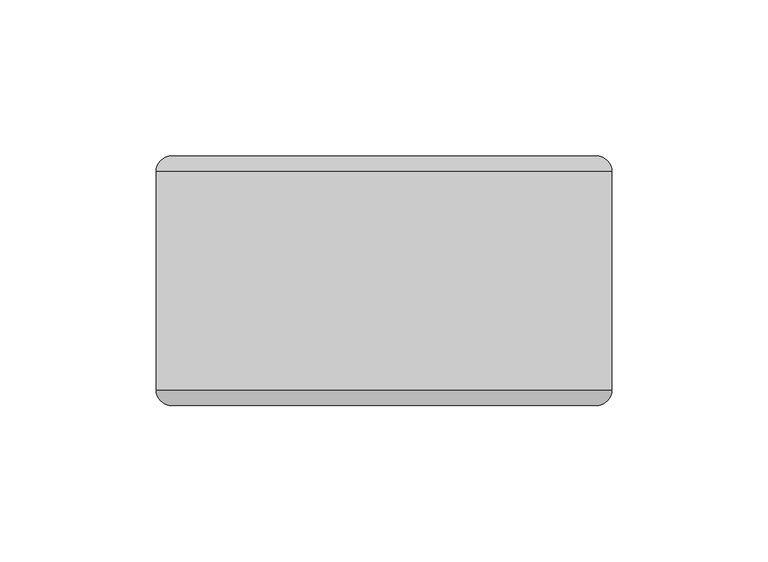
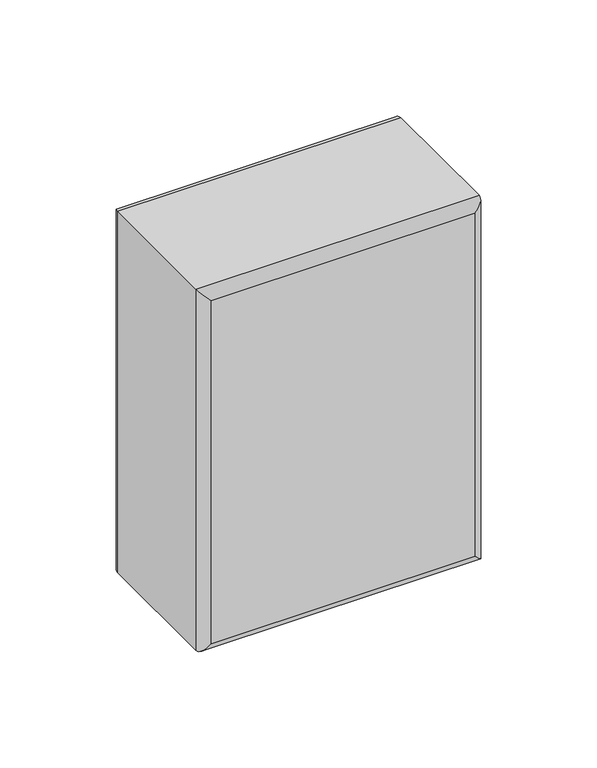
"""IFC4 building model written with IfcOpenShell, lengths in millimetres: plate geometry."""

from ifc_helpers import new_model, si_unit, frame, origin, place, context, project, spatial, ellipse_curve, source, transform, mapped, element, save
from ifc_brep_helpers import plane_surface, cylinder_surface, advanced_brep


def plate_ff91d236(model_context):
    return source(origin(), model_context, "Body", "AdvancedBrep", [
        advanced_brep(
        [(-73.0250002, -35.0, 196.9869895), (72.9749998, -35.0, 196.9869895), (72.9749998, 35.0, 196.9869895), (-73.0250002, 35.0, 196.9869895), (72.9749998, -35.0, 0.0), (-73.0250002, -35.0, 0.0), (-73.0250002, 35.0, 0.0), (72.9749998, 35.0, 0.0), (-68.0250002, -40.0, 5.0), (67.9749998, -40.0, 5.0), (67.9749998, -40.0, 191.9869895), (-68.0250002, -40.0, 191.9869895), (67.9749998, 40.0, 5.0), (-68.0250002, 40.0, 5.0), (-68.0250002, 40.0, 191.9869895), (67.9749998, 40.0, 191.9869895)],
        [
            (0, 1),
            (1, 2),
            (2, 3),
            (3, 0),
            (4, 5),
            (5, 6),
            (6, 7),
            (7, 4),
            (8, 9),
            (9, 10),
            (10, 11),
            (11, 8),
            (1, 4),
            (7, 2),
            (12, 13),
            (13, 14),
            (14, 15),
            (15, 12),
            (5, 0),
            (3, 6),
            (4, 9, ellipse_curve(frame((67.9749998, -35.0, 5.0), z_axis=(-0.7071067811865475, 0.0, -0.7071067811865475), x_axis=(0.7071067811865476, 0.0, -0.7071067811865474)), 7.0710678, 5.0)),
            (8, 5, ellipse_curve(frame((-68.0250002, -35.0, 5.0), z_axis=(0.7071067811865475, 0.0, -0.7071067811865475), x_axis=(0.7071067811865476, 0.0, 0.7071067811865474)), 7.0710678, 5.0)),
            (1, 10, ellipse_curve(frame((67.9749998, -35.0, 191.9869895), z_axis=(0.7071067811865475, 0.0, -0.7071067811865475), x_axis=(0.7071067811865474, 0.0, 0.7071067811865476)), 7.0710678, 5.0)),
            (0, 11, ellipse_curve(frame((-68.0250002, -35.0, 191.9869895), z_axis=(0.7071067811865475, 0.0, 0.7071067811865475), x_axis=(-0.7071067811865476, 0.0, 0.7071067811865474)), 7.0710678, 5.0)),
            (12, 7, ellipse_curve(frame((67.9749998, 35.0, 5.0), z_axis=(-0.7071067811865475, 0.0, -0.7071067811865475), x_axis=(0.7071067811865476, 0.0, -0.7071067811865474)), 7.0710678, 5.0)),
            (6, 13, ellipse_curve(frame((-68.0250002, 35.0, 5.0), z_axis=(0.7071067811865475, 0.0, -0.7071067811865475), x_axis=(0.7071067811865476, 0.0, 0.7071067811865474)), 7.0710678, 5.0)),
            (15, 2, ellipse_curve(frame((67.9749998, 35.0, 191.9869895), z_axis=(0.7071067811865475, 0.0, -0.7071067811865475), x_axis=(0.7071067811865474, 0.0, 0.7071067811865476)), 7.0710678, 5.0)),
            (14, 3, ellipse_curve(frame((-68.0250002, 35.0, 191.9869895), z_axis=(0.7071067811865475, 0.0, 0.7071067811865475), x_axis=(-0.7071067811865476, 0.0, 0.7071067811865474)), 7.0710678, 5.0)),
        ],
        [
            plane_surface(frame((-73.0250002, -40.0, 196.9869895), z_axis=(0.0, 0.0, 1.0), x_axis=(1.0, 0.0, 0.0))),
            plane_surface(frame((-73.0250002, -40.0, 0.0), z_axis=(0.0, 0.0, -1.0), x_axis=(-1.0, 0.0, 0.0))),
            plane_surface(frame((-73.0250002, -40.0, 196.9869895), z_axis=(0.0, -1.0, 0.0), x_axis=(0.0, 0.0, -1.0))),
            plane_surface(frame((72.9749998, -40.0, 196.9869895), z_axis=(1.0, 0.0, 0.0), x_axis=(0.0, 0.0, -1.0))),
            plane_surface(frame((72.9749998, 40.0, 196.9869895), z_axis=(0.0, 1.0, 0.0), x_axis=(0.0, 0.0, -1.0))),
            plane_surface(frame((-73.0250002, 40.0, 196.9869895), z_axis=(-1.0, 0.0, 0.0), x_axis=(0.0, 0.0, -1.0))),
            cylinder_surface(frame((-73.0250002, -35.0, 5.0), z_axis=(1.0, 0.0, 0.0), x_axis=(0.0, 0.0, -1.0)), 5.0),
            cylinder_surface(frame((67.9749998, -35.0, 0.0), z_axis=(0.0, 0.0, 1.0), x_axis=(1.0, 0.0, 0.0)), 5.0),
            cylinder_surface(frame((72.9749998, -35.0, 191.9869895), z_axis=(-1.0, 0.0, 0.0), x_axis=(0.0, 0.0, 1.0)), 5.0),
            cylinder_surface(frame((-68.0250002, -35.0, 196.9869895), z_axis=(0.0, 0.0, -1.0), x_axis=(-1.0, 0.0, 0.0)), 5.0),
            cylinder_surface(frame((-73.0250002, 35.0, 5.0), z_axis=(1.0, 0.0, 0.0), x_axis=(0.0, 0.0, -1.0)), 5.0),
            cylinder_surface(frame((67.9749998, 35.0, 0.0), z_axis=(0.0, 0.0, 1.0), x_axis=(1.0, 0.0, 0.0)), 5.0),
            cylinder_surface(frame((72.9749998, 35.0, 191.9869895), z_axis=(-1.0, 0.0, 0.0), x_axis=(0.0, 0.0, 1.0)), 5.0),
            cylinder_surface(frame((-68.0250002, 35.0, 196.9869895), z_axis=(0.0, 0.0, -1.0), x_axis=(-1.0, 0.0, 0.0)), 5.0),
        ],
        [
            (0, [[1, 2, 3, 4]]),
            (1, [[5, 6, 7, 8]]),
            (2, [[9, 10, 11, 12]]),
            (3, [[13, -8, 14, -2]]),
            (4, [[15, 16, 17, 18]]),
            (5, [[19, -4, 20, -6]]),
            (6, [[21, -9, 22, -5]]),
            (7, [[-21, -13, 23, -10]]),
            (8, [[-23, -1, 24, -11]]),
            (9, [[-22, -12, -24, -19]]),
            (10, [[25, -7, 26, -15]]),
            (11, [[-25, -18, 27, -14]]),
            (12, [[-27, -17, 28, -3]]),
            (13, [[-26, -20, -28, -16]]),
        ],
    ),
    ])


if __name__ == "__main__":
    model = new_model("IFC4")
    model_context = context("Model", 3, world=origin())
    ifc_project = project(units=[si_unit("LENGTHUNIT", "METRE", prefix="MILLI")], contexts=[model_context])
    site = spatial("IfcSite", under=ifc_project)
    building = spatial("IfcBuilding", under=site)
    placement = place(None, origin())
    plate_shape = plate_ff91d236(model_context)
    element("IfcPlate", 1, at=placement, inside=building, context=model_context, shape_type="MappedRepresentation", body=[
        mapped(plate_shape, transform((0.0, 0.0, 0.0), x_axis=(1.0, 0.0, 0.0), y_axis=(0.0, 1.0, 0.0), z_axis=(0.0, 0.0, 1.0))),
    ])
    save(model, "model.ifc")
